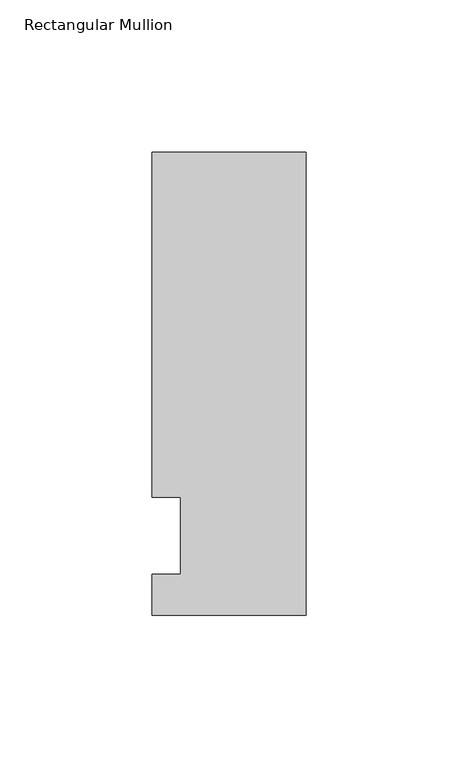
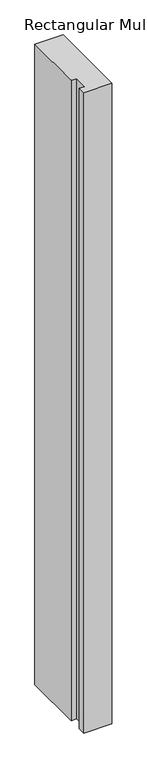
"""IFC4 building model written with IfcOpenShell, lengths in millimetres: member geometry, Rectangular Mullion."""

from ifc_helpers import new_model, si_unit, frame, origin, place, context, project, spatial, polyline, outline, extrude, source, transform, mapped, element, save


def rectangular_mullion_3b75585f(model_context):
    return source(origin(), model_context, "Body", "SweptSolid", [
        extrude(outline(polyline([(-50.8, -26.19375), (-50.8, -12.7), (-41.275, -12.7), (-41.275, 12.7), (-50.8, 12.7), (-50.8, 126.20625), (0.0, 126.20625), (0.0, -26.19375), (-50.8, -26.19375)])), frame((0.0, 0.0, -1219.2), z_axis=(0.0, 0.0, 1.0), x_axis=(1.0, 0.0, 0.0)), (0.0, 0.0, 1.0), 1219.2),
    ])


if __name__ == "__main__":
    model = new_model("IFC4")
    model_context = context("Model", 3, world=origin())
    ifc_project = project(units=[si_unit("LENGTHUNIT", "METRE", prefix="MILLI")], contexts=[model_context])
    site = spatial("IfcSite", under=ifc_project)
    building = spatial("IfcBuilding", under=site)
    placement = place(None, origin())
    rectangular_mullion_shape = rectangular_mullion_3b75585f(model_context)
    element("IfcMember", 1, ObjectType="Rectangular Mullion", at=placement, inside=building, context=model_context, shape_type="MappedRepresentation", body=[
        mapped(rectangular_mullion_shape, transform((0.0, 0.0, 0.0), x_axis=(1.0, 0.0, 0.0), y_axis=(0.0, 1.0, 0.0), z_axis=(0.0, 0.0, 1.0))),
    ])
    save(model, "model.ifc")
